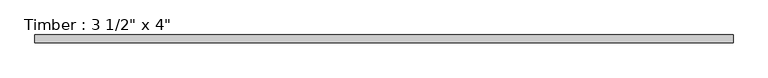
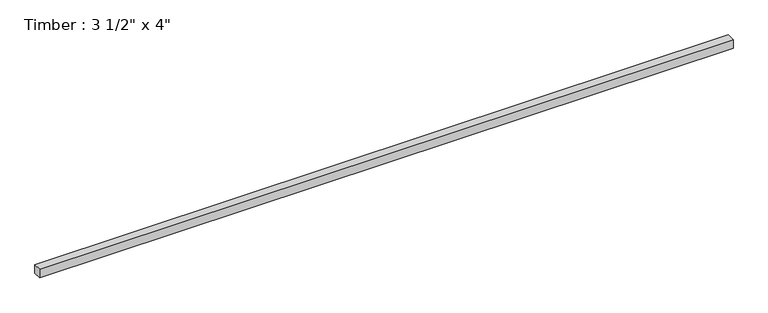
"""IFC4 building model written with IfcOpenShell, lengths in millimetres: beam geometry."""

from ifc_helpers import new_model, si_unit, frame, origin, place, context, project, spatial, polyline, outline, extrude, source, transform, mapped, element, save


def beam_63e9672c(model_context):
    return source(origin(), model_context, "Body", "SweptSolid", [
        extrude(outline(polyline([(3840.922359, -44.45), (-3840.922359, -44.45), (-3840.922359, 44.45), (3840.922359, 44.45), (3840.922359, -44.45)])), frame((0.0, 0.0, -50.8), z_axis=(0.0, 0.0, 1.0), x_axis=(1.0, 0.0, 0.0)), (0.0, 0.0, 1.0), 101.6),
    ])


if __name__ == "__main__":
    model = new_model("IFC4")
    model_context = context("Model", 3, world=origin())
    ifc_project = project(units=[si_unit("LENGTHUNIT", "METRE", prefix="MILLI")], contexts=[model_context])
    site = spatial("IfcSite", under=ifc_project)
    building = spatial("IfcBuilding", under=site)
    placement = place(None, origin())
    beam_shape = beam_63e9672c(model_context)
    element("IfcBeam", 1, ObjectType="Timber : 3 1/2\" x 4\"", at=placement, inside=building, context=model_context, shape_type="MappedRepresentation", body=[
        mapped(beam_shape, transform((0.0, 0.0, 0.0), x_axis=(1.0, 0.0, 0.0), y_axis=(0.0, 1.0, 0.0), z_axis=(0.0, 0.0, 1.0))),
    ])
    save(model, "model.ifc")
